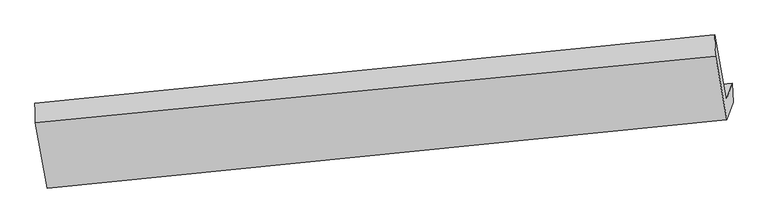
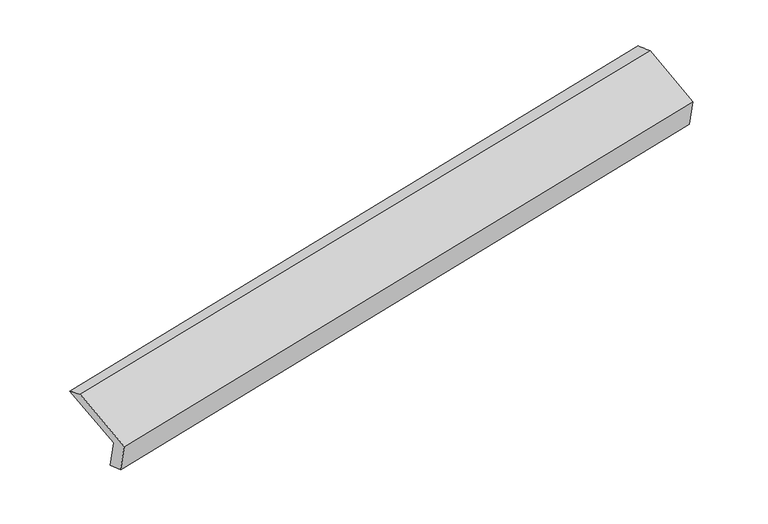
"""IFC4 building model written with IfcOpenShell, lengths in millimetres: proxy geometry."""

import ifcopenshell
import ifcopenshell.guid

model = None  # the IFC model being written
_history = None  # IfcOwnerHistory: only IFC2X3 demands one
_inside = {}  # id of a spatial element -> (the spatial element, [elements in it])
_under = {}  # id of a project, library or spatial element -> (it, [spatial elements below it])
_declared = {}  # id of a project -> (the project, [libraries it declares])
_typed = {}  # id of a type object -> (the type object, [elements of that type])
_made_of = {}  # id of a material, layer set ... -> (it, [elements and type objects made of it])


def new_model(schema):
    """Start an empty IFC model of exactly this schema.

    Asked for "IFC4X3", IfcOpenShell would pick the latest addendum, in which some entities
    have other attributes; the version numbers below select the first issue.
    IFC2X3 requires an IfcOwnerHistory on every rooted entity: one is made here for all.
    """
    global model, _history
    if schema == "IFC4X3":
        model = ifcopenshell.file(schema_version=(4, 3, 0, 0))
    else:
        model = ifcopenshell.file(schema=schema)
    _inside.clear()
    _under.clear()
    _declared.clear()
    _typed.clear()
    _made_of.clear()
    _history = None
    if model.schema == "IFC2X3":
        org = make("IfcOrganization", Name="unknown")
        user = make(
            "IfcPersonAndOrganization",
            ThePerson=make("IfcPerson", FamilyName="unknown"),
            TheOrganization=org,
        )
        app = make(
            "IfcApplication",
            ApplicationDeveloper=org,
            Version="unknown",
            ApplicationFullName="unknown",
            ApplicationIdentifier="unknown",
        )
        _history = make(
            "IfcOwnerHistory",
            OwningUser=user,
            OwningApplication=app,
            ChangeAction="ADDED",
            CreationDate=0,
        )
    return model


def make(cls, **values):
    """One entity of the class cls with the attributes given. An attribute that is None is left unset."""
    return model.create_entity(
        cls, **{name: value for name, value in values.items() if value is not None}
    )


def rooted(cls, **values):
    """An entity with a GlobalId (a new one), such as an element, a storey or a relation."""
    return make(cls, GlobalId=ifcopenshell.guid.new(), OwnerHistory=_history, **values)


def si_unit(unit_type, name, prefix=None):
    """IfcSIUnit, for example si_unit("LENGTHUNIT", "METRE", prefix="MILLI")."""
    return make("IfcSIUnit", UnitType=unit_type, Prefix=prefix, Name=name)


def assignment(units):
    """IfcUnitAssignment: the units of a project."""
    return None if units is None else make("IfcUnitAssignment", Units=units)


def point(xyz):
    """IfcCartesianPoint."""
    return None if xyz is None else make("IfcCartesianPoint", Coordinates=xyz)


def direction(xyz):
    """IfcDirection."""
    return None if xyz is None else make("IfcDirection", DirectionRatios=xyz)


def frame(location, z_axis=None, x_axis=None):
    """IfcAxis2Placement3D, a coordinate frame: its origin and axes. An axis left out is left unset."""
    return make(
        "IfcAxis2Placement3D",
        Location=point(location),
        Axis=direction(z_axis),
        RefDirection=direction(x_axis),
    )


def origin():
    """The frame at (0, 0, 0) with its axes left unset."""
    return frame((0.0, 0.0, 0.0))


def place(relative_to, where):
    """IfcLocalPlacement: puts the frame where relative to a parent placement (None: the world)."""
    return make(
        "IfcLocalPlacement", PlacementRelTo=relative_to, RelativePlacement=where
    )


def context(
    kind, dimensions, precision=None, world=None, true_north=None, identifier=None
):
    """IfcGeometricRepresentationContext, for example the 3D "Model" context."""
    return make(
        "IfcGeometricRepresentationContext",
        ContextIdentifier=identifier,
        ContextType=kind,
        CoordinateSpaceDimension=dimensions,
        Precision=precision,
        WorldCoordinateSystem=world,
        TrueNorth=true_north,
    )


def project(units=None, contexts=None):
    """IfcProject with its units and contexts."""
    return rooted(
        "IfcProject",
        Name="project",
        RepresentationContexts=contexts,
        UnitsInContext=assignment(units),
    )


def spatial(cls, under=None, at=None, **own):
    """A site, building, storey or space (cls), placed at a placement, below another one or the project."""
    s = rooted(cls, ObjectPlacement=at, **own)
    if under is not None:
        _under.setdefault(under.id(), (under, []))[1].append(s)
    return s


def shape(context_of_items, identifier, shape_type, items):
    """IfcShapeRepresentation: the items that make up one representation, for example the "Body"."""
    return make(
        "IfcShapeRepresentation",
        ContextOfItems=context_of_items,
        RepresentationIdentifier=identifier,
        RepresentationType=shape_type,
        Items=items,
    )


def source(mapping_origin, context_of_items, identifier, shape_type, items):
    """IfcRepresentationMap: a shape defined once, which mapped items show again and again."""
    return make(
        "IfcRepresentationMap",
        MappingOrigin=mapping_origin,
        MappedRepresentation=shape(context_of_items, identifier, shape_type, items),
    )


def transform(
    local_origin,
    x_axis=None,
    y_axis=None,
    z_axis=None,
    scale=None,
    scale2=None,
    scale3=None,
    uniform=True,
):
    """IfcCartesianTransformationOperator3D, or its non-uniform kind. x_axis, y_axis, z_axis: its Axis1, 2, 3."""
    if uniform:
        return make(
            "IfcCartesianTransformationOperator3D",
            Axis1=direction(x_axis),
            Axis2=direction(y_axis),
            LocalOrigin=point(local_origin),
            Scale=scale,
            Axis3=direction(z_axis),
        )
    return make(
        "IfcCartesianTransformationOperator3DnonUniform",
        Axis1=direction(x_axis),
        Axis2=direction(y_axis),
        LocalOrigin=point(local_origin),
        Scale=scale,
        Axis3=direction(z_axis),
        Scale2=scale2,
        Scale3=scale3,
    )


def mapped(mapping_source, mapping_target):
    """IfcMappedItem: shows the shape of a source again, moved by a transform."""
    return make(
        "IfcMappedItem", MappingSource=mapping_source, MappingTarget=mapping_target
    )


def made_of(thing, what):
    """Note that an element or type object is made of a material, layer set ...; save() writes the relation."""
    if what is not None:
        _made_of.setdefault(what.id(), (what, []))[1].append(thing)
    return thing


def element(
    cls,
    number,
    at=None,
    inside=None,
    cuts=None,
    type_object=None,
    material=None,
    context=None,
    identifier="Body",
    shape_type=None,
    held_by="IfcProductDefinitionShape",
    body=None,
    shapes=None,
    **own,
):
    """One element of the class cls, such as IfcWall. Its Tag is "e" and its number.

    at: its placement. inside: the storey or other place that contains it. cuts: it is an
    opening in that element (IfcRelVoidsElement). A single representation is given by context,
    identifier, shape_type and body (its items); several are given by shapes. held_by: the class
    of the entity that holds the representations. save() writes the other relations.
    """
    e = rooted(cls, Tag="e%d" % number, ObjectPlacement=at, **own)
    if body is not None:
        shapes = [shape(context, identifier, shape_type, body)]
    if shapes is not None:
        e.Representation = make(held_by, Representations=shapes)
    if inside is not None:
        _inside.setdefault(inside.id(), (inside, []))[1].append(e)
    if cuts is not None:
        rooted(
            "IfcRelVoidsElement", RelatingBuildingElement=cuts, RelatedOpeningElement=e
        )
    if type_object is not None:
        _typed.setdefault(type_object.id(), (type_object, []))[1].append(e)
    return made_of(e, material)


def aggregate(whole, parts):
    """IfcRelAggregates: a whole, such as a stair, and the parts it consists of."""
    return rooted("IfcRelAggregates", RelatingObject=whole, RelatedObjects=parts)


def save(model, path):
    """Write the relations noted so far, then the file.

    IfcRelAggregates (storeys below a building ...), IfcRelContainedInSpatialStructure (elements
    in a storey), IfcRelDefinesByType, IfcRelAssociatesMaterial and IfcRelDeclares: one each for
    every whole, place, type object, material and project.
    """
    for whole, parts in _under.values():
        aggregate(whole, parts)
    for where, things in _inside.values():
        rooted(
            "IfcRelContainedInSpatialStructure",
            RelatedElements=things,
            RelatingStructure=where,
        )
    for kind, things in _typed.values():
        rooted("IfcRelDefinesByType", RelatedObjects=things, RelatingType=kind)
    for what, things in _made_of.values():
        rooted("IfcRelAssociatesMaterial", RelatedObjects=things, RelatingMaterial=what)
    for by, libraries in _declared.values():
        rooted("IfcRelDeclares", RelatingContext=by, RelatedDefinitions=libraries)
    model.write(path)


def plane_surface(at):
    """IfcPlane: the flat surface through the origin of the frame at, square to its z axis."""
    return make("IfcPlane", Position=at)


def spline_surface(u_degree, v_degree, points, u_multiplicities, v_multiplicities, u_knots, v_knots, weights=None):
    """IfcBSplineSurfaceWithKnots; with weights, IfcRationalBSplineSurfaceWithKnots. points: one row for each step in u."""
    own = dict(
        UDegree=u_degree,
        VDegree=v_degree,
        ControlPointsList=[[point(p) for p in row] for row in points],
        SurfaceForm="UNSPECIFIED",
        UClosed=False,
        VClosed=False,
        SelfIntersect=False,
        UMultiplicities=u_multiplicities,
        VMultiplicities=v_multiplicities,
        UKnots=u_knots,
        VKnots=v_knots,
        KnotSpec="UNSPECIFIED",
    )
    if weights is None:
        return make("IfcBSplineSurfaceWithKnots", **own)
    return make("IfcRationalBSplineSurfaceWithKnots", WeightsData=weights, **own)


def advanced_brep(points, edges, surfaces, faces):
    """IfcAdvancedBrep: a solid bounded by faces that lie on surfaces and meet in shared edges.

    An edge is (start, end): straight between two places in points (the first is 0);
    or (start, end, curve); or (start, end, curve, False) where it runs against its curve.
    A face is (place in surfaces, loops), or (place, loops, False) where it looks against
    its surface's normal. A loop lists edges by number (the first is 1), with a minus sign
    where the edge is run from its end to its start. The first loop is the outer one.
    """
    corners = [point(p) for p in points]
    vertices = [make("IfcVertexPoint", VertexGeometry=c) for c in corners]
    made = []
    for start, end, *more in edges:
        made.append(
            make(
                "IfcEdgeCurve",
                EdgeStart=vertices[start],
                EdgeEnd=vertices[end],
                EdgeGeometry=more[0] if more else make("IfcPolyline", Points=[corners[start], corners[end]]),
                SameSense=more[1] if len(more) > 1 else True,
            )
        )
    hull = []
    for where, loops, *sense in faces:
        bounds = []
        for j, loop in enumerate(loops):
            ring = [make("IfcOrientedEdge", EdgeElement=made[abs(k) - 1], Orientation=k > 0) for k in loop]
            bounds.append(
                make(
                    "IfcFaceOuterBound" if j == 0 else "IfcFaceBound",
                    Bound=make("IfcEdgeLoop", EdgeList=ring),
                    Orientation=True,
                )
            )
        hull.append(make("IfcAdvancedFace", Bounds=bounds, FaceSurface=surfaces[where], SameSense=sense[0] if sense else True))
    return make("IfcAdvancedBrep", Outer=make("IfcClosedShell", CfsFaces=hull))


def generic_models_28cdb364(model_context):
    return source(origin(), model_context, "Body", "AdvancedBrep", [
        advanced_brep(
        [(-6075.2103418, -1996.0159097, 1308.6539299), (-6186.0862566, -1379.8200114, 1561.1825319), (272.685156, -729.3167476, 2809.6935668), (383.5610708, -1345.5126458, 2557.1649648), (-6018.290936, -1834.6484023, 939.8917213), (439.080341, -1188.1145473, 2197.4737768), (-6010.5484431, -2013.3332473, 990.1633945), (446.8228339, -1366.7993923, 2247.7454499), (-6070.6303389, -2183.6664692, 1379.4143416), (388.1410737, -1533.1632053, 2627.9253765), (-6181.905727, -1565.2504874, 1632.8527753), (280.1504057, -933.0021446, 2873.8826022)],
        [
            (0, 1),
            (1, 2),
            (2, 3),
            (3, 0),
            (4, 0),
            (3, 5),
            (5, 4),
            (6, 4),
            (5, 7),
            (7, 6),
            (8, 6),
            (7, 9),
            (9, 8),
            (10, 8),
            (9, 11),
            (11, 10),
            (1, 10),
            (11, 2),
        ],
        [
            plane_surface(frame((-6130.6482992, -1687.9179606, 1434.9182309), z_axis=(0.13558078053691291, 0.39649837454907083, -0.9079685517290487), x_axis=(-0.16423600611171132, 0.9127460499738024, 0.3740603996063938))),
            plane_surface(frame((-6046.7506389, -1915.332156, 1124.2728256), z_axis=(-0.16423600611170747, 0.9127460499738087, 0.3740603996063804), x_axis=(-0.14001356068589338, -0.3969408850093199, 0.9071020541438961))),
            plane_surface(frame((-6014.4196895, -1923.9908248, 965.0275579), z_axis=(0.20944044426006, -0.2564015898820541, -0.9436063400667165), x_axis=(-0.04167484353271495, 0.9617913782778976, -0.2705929638531385))),
            plane_surface(frame((-6040.589391, -2098.4998582, 1184.7888681), z_axis=(0.16423600611170724, -0.9127460499738091, -0.3740603996063791), x_axis=(0.14001356068589338, 0.3969408850093186, -0.9071020541438966))),
            plane_surface(frame((-6126.2680329, -1874.4584783, 1506.1335585), z_axis=(-0.1355807805369158, -0.3964983745490517, 0.9079685517290567), x_axis=(0.16423600611171033, -0.9127460499738105, -0.37406039960637444))),
            spline_surface(1, 1, [[(-6186.0862566, -1379.8200114, 1561.1825319), (272.685156, -729.3167476, 2809.6935668)], [(-6181.905727, -1565.2504874, 1632.8527753), (280.1504057, -933.0021446, 2873.8826022)]], [2, 2], [2, 2], [0.0, 1.0], [0.0, 1.0]),
            plane_surface(frame((368.4068135, -1182.6514472, 2552.3142895), z_axis=(0.9764336829096611, 0.0966052900478655, 0.19298881007520402), x_axis=(0.14001356068589338, 0.3969408850093186, -0.9071020541438966))),
            plane_surface(frame((-6090.4453406, -1828.7890879, 1302.0264491), z_axis=(-0.9764336829096644, -0.09660529004784521, -0.19298881007519725), x_axis=(0.1642360061117121, -0.9127460499738067, -0.3740603996063828))),
        ],
        [
            (0, [[1, 2, 3, 4]]),
            (1, [[5, -4, 6, 7]]),
            (2, [[8, -7, 9, 10]]),
            (3, [[11, -10, 12, 13]]),
            (4, [[14, -13, 15, 16]]),
            (5, [[17, -16, 18, -2]]),
            (6, [[-12, -9, -6, -3, -18, -15]]),
            (7, [[-1, -5, -8, -11, -14, -17]]),
        ],
    ),
    ])


if __name__ == "__main__":
    model = new_model("IFC4")
    model_context = context("Model", 3, world=origin())
    ifc_project = project(units=[si_unit("LENGTHUNIT", "METRE", prefix="MILLI")], contexts=[model_context])
    site = spatial("IfcSite", under=ifc_project)
    building = spatial("IfcBuilding", under=site)
    placement = place(None, origin())
    generic_models_shape = generic_models_28cdb364(model_context)
    element("IfcBuildingElementProxy", 1, Name="Generic Models", at=placement, inside=building, context=model_context, shape_type="MappedRepresentation", body=[
        mapped(generic_models_shape, transform((0.0, 0.0, 0.0), x_axis=(1.0, 0.0, 0.0), y_axis=(0.0, 1.0, 0.0), z_axis=(0.0, 0.0, 1.0))),
    ])
    save(model, "model.ifc")
